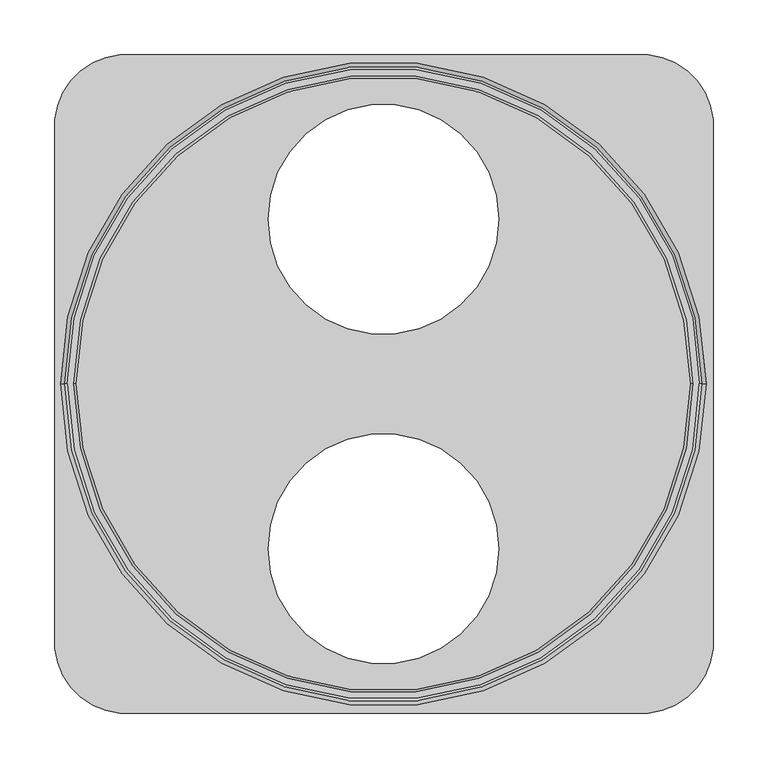
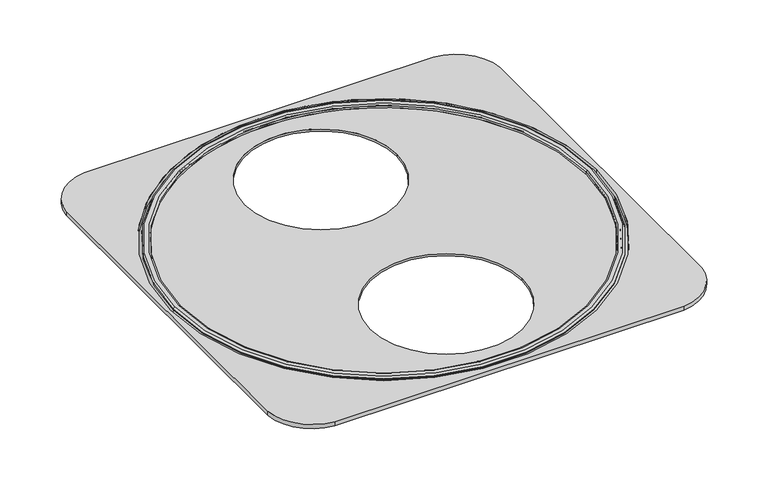
"""IFC4 building model written with IfcOpenShell, lengths in millimetres: proxy geometry."""

from ifc_helpers import new_model, si_unit, point, frame, frame_2d, origin, origin_2d, place, context, project, spatial, polyline, circle_curve, ellipse_curve, trimmed, segment, composite_curve, outline, extrude, source, transform, mapped, element, save
from ifc_brep_helpers import plane_surface, cylinder_surface, revolved_surface, advanced_brep


def specialty_equipment_28192a92(model_context):
    return source(origin(), model_context, "Body", "SolidModel", [
        extrude(outline(composite_curve([segment(trimmed(circle_curve(frame_2d((2405.1238732, 0.0)), 2715.0), [point((-299.1726991, -240.8423741))], [point((-299.1726991, 240.8423741))], False, "CARTESIAN"), True, "CONTINUOUS"), segment(trimmed(circle_curve(frame_2d((-234.4289505, 235.0763504)), 65.0), [point((-299.1726991, 240.8423741))], [point((-240.1916831, 299.8203919))], False, "CARTESIAN"), True, "CONTINUOUS"), segment(trimmed(circle_curve(frame_2d((0.5132226, -2404.4884196)), 2715.0), [point((-240.1916831, 299.8203919))], [point((241.445972, 299.8001024))], False, "CARTESIAN"), True, "CONTINUOUS"), segment(trimmed(circle_curve(frame_2d((235.6777846, 235.0565466)), 65.0), [point((241.445972, 299.8001024))], [point((300.4215764, 240.8220845))], False, "CARTESIAN"), True, "CONTINUOUS"), segment(trimmed(circle_curve(frame_2d((-2403.8768028, 0.0)), 2715.0), [point((300.4215764, 240.8220845))], [point((300.4215764, -240.8220845))], False, "CARTESIAN"), True, "CONTINUOUS"), segment(trimmed(circle_curve(frame_2d((235.6777846, -235.0565466)), 65.0), [point((300.4215764, -240.8220845))], [point((241.445972, -299.8001024))], False, "CARTESIAN"), True, "CONTINUOUS"), segment(trimmed(circle_curve(frame_2d((0.5132226, 2404.4884196)), 2715.0), [point((241.445972, -299.8001024))], [point((-240.1916831, -299.8203919))], False, "CARTESIAN"), True, "CONTINUOUS"), segment(trimmed(circle_curve(frame_2d((-234.4289505, -235.0763504)), 65.0), [point((-240.1916831, -299.8203919))], [point((-299.1726991, -240.8423741))], False, "CARTESIAN"), True, "CONTINUOUS")], self_intersect=False), holes=[composite_curve([segment(trimmed(circle_curve(origin_2d(), 294.0), [point((294.0, 0.0))], [point((-294.0, 0.0))], True, "CARTESIAN"), True, "CONTINUOUS"), segment(trimmed(circle_curve(origin_2d(), 294.0), [point((-294.0, 0.0))], [point((294.0, 0.0))], True, "CARTESIAN"), True, "CONTINUOUS")], self_intersect=False)]), frame((0.0, 0.0, 2892.0), z_axis=(0.0, 0.0, 1.0), x_axis=(1.0, 0.0, 0.0)), (0.0, 0.0, 1.0), 6.0),
        extrude(outline(composite_curve([segment(trimmed(circle_curve(origin_2d(), 280.0), [point((280.0, 0.0))], [point((-280.0, 0.0))], False, "CARTESIAN"), True, "CONTINUOUS"), segment(trimmed(circle_curve(origin_2d(), 280.0), [point((-280.0, 0.0))], [point((280.0, 0.0))], False, "CARTESIAN"), True, "CONTINUOUS")], self_intersect=False), holes=[composite_curve([segment(trimmed(circle_curve(frame_2d((0.0, -150.0)), 105.0), [point((-105.0, -150.0))], [point((105.0, -150.0))], True, "CARTESIAN"), True, "CONTINUOUS"), segment(trimmed(circle_curve(frame_2d((0.0, -150.0)), 105.0), [point((105.0, -150.0))], [point((-105.0, -150.0))], True, "CARTESIAN"), True, "CONTINUOUS")], self_intersect=False), composite_curve([segment(trimmed(circle_curve(frame_2d((0.0, 150.0)), 105.0), [point((105.0, 150.0))], [point((-105.0, 150.0))], True, "CARTESIAN"), True, "CONTINUOUS"), segment(trimmed(circle_curve(frame_2d((0.0, 150.0)), 105.0), [point((-105.0, 150.0))], [point((105.0, 150.0))], True, "CARTESIAN"), True, "CONTINUOUS")], self_intersect=False)]), frame((0.0, 0.0, 2892.0), z_axis=(0.0, 0.0, 1.0), x_axis=(1.0, 0.0, 0.0)), (0.0, 0.0, 1.0), 3.0),
        advanced_brep(
        [(-280.0, 0.0, 2898.0), (280.0, 0.0, 2898.0), (280.0, 0.0, 2895.0), (-280.0, 0.0, 2895.0), (-282.0, 0.0, 2900.0), (282.0, 0.0, 2900.0), (-290.0, 0.0, 2898.0), (290.0, 0.0, 2898.0), (288.0, 0.0, 2900.0), (-288.0, 0.0, 2900.0), (-290.0, 0.0, 2896.0), (290.0, 0.0, 2896.0), (-294.0, 0.0, 2892.0), (294.0, 0.0, 2892.0), (-285.0, 0.0, 2894.0), (285.0, 0.0, 2894.0), (285.0, 0.0, 2892.0), (-285.0, 0.0, 2892.0), (-284.0, 0.0, 2895.0), (284.0, 0.0, 2895.0)],
        [
            (0, 1, circle_curve(frame((0.0, 0.0, 2898.0), z_axis=(0.0, 0.0, 1.0), x_axis=(1.0, 0.0, 0.0)), 280.0)),
            (1, 2),
            (2, 3, circle_curve(frame((0.0, 0.0, 2895.0), z_axis=(0.0, 0.0, -1.0), x_axis=(1.0, 0.0, 0.0)), 280.0)),
            (3, 0),
            (4, 5, circle_curve(frame((0.0, 0.0, 2900.0), z_axis=(0.0, 0.0, 1.0), x_axis=(1.0, 0.0, 0.0)), 282.0)),
            (5, 1, circle_curve(frame((282.0, 0.0, 2898.0), z_axis=(0.0, -1.0, 0.0), x_axis=(1.0, 0.0, 0.0)), 2.0)),
            (0, 4, circle_curve(frame((-282.0, 0.0, 2898.0), z_axis=(0.0, -1.0, 0.0), x_axis=(-1.0, 0.0, 0.0)), 2.0)),
            (6, 7, circle_curve(frame((0.0, 0.0, 2898.0), z_axis=(0.0, 0.0, 1.0), x_axis=(1.0, 0.0, 0.0)), 290.0)),
            (7, 8, circle_curve(frame((288.0, 0.0, 2898.0), z_axis=(0.0, -1.0, 0.0), x_axis=(1.0, 0.0, 0.0)), 2.0)),
            (8, 9, circle_curve(frame((0.0, 0.0, 2900.0), z_axis=(0.0, 0.0, -1.0), x_axis=(1.0, 0.0, 0.0)), 288.0)),
            (9, 6, circle_curve(frame((-288.0, 0.0, 2898.0), z_axis=(0.0, -1.0, 0.0), x_axis=(-1.0, 0.0, 0.0)), 2.0)),
            (10, 11, circle_curve(frame((0.0, 0.0, 2896.0), z_axis=(0.0, 0.0, 1.0), x_axis=(1.0, 0.0, 0.0)), 290.0)),
            (11, 7),
            (6, 10),
            (12, 13, circle_curve(frame((0.0, 0.0, 2892.0), z_axis=(0.0, 0.0, 1.0), x_axis=(1.0, 0.0, 0.0)), 294.0)),
            (13, 11, circle_curve(frame((294.0, 0.0, 2896.0), z_axis=(0.0, 1.0, 0.0), x_axis=(1.0, 0.0, 0.0)), 4.0)),
            (10, 12, circle_curve(frame((-294.0, 0.0, 2896.0), z_axis=(0.0, 1.0, 0.0), x_axis=(-1.0, 0.0, 0.0)), 4.0)),
            (14, 15, circle_curve(frame((0.0, 0.0, 2894.0), z_axis=(0.0, 0.0, 1.0), x_axis=(1.0, 0.0, 0.0)), 285.0)),
            (15, 16),
            (16, 17, circle_curve(frame((0.0, 0.0, 2892.0), z_axis=(0.0, 0.0, -1.0), x_axis=(1.0, 0.0, 0.0)), 285.0)),
            (17, 14),
            (18, 19, circle_curve(frame((0.0, 0.0, 2895.0), z_axis=(0.0, 0.0, 1.0), x_axis=(1.0, 0.0, 0.0)), 284.0)),
            (19, 15, circle_curve(frame((284.0, 0.0, 2894.0), z_axis=(0.0, 1.0, 0.0), x_axis=(1.0, 0.0, 0.0)), 1.0)),
            (14, 18, circle_curve(frame((-284.0, 0.0, 2894.0), z_axis=(0.0, 1.0, 0.0), x_axis=(-1.0, 0.0, 0.0)), 1.0)),
            (18, 19, circle_curve(frame((0.0, 0.0, 2895.0), z_axis=(0.0, 0.0, -1.0), x_axis=(-1.0, 0.0, 0.0)), 284.0)),
            (2, 3, circle_curve(frame((0.0, 0.0, 2895.0), z_axis=(0.0, 0.0, 1.0), x_axis=(-1.0, 0.0, 0.0)), 280.0)),
            (1, 0, circle_curve(frame((0.0, 0.0, 2898.0), z_axis=(0.0, 0.0, 1.0), x_axis=(-1.0, 0.0, 0.0)), 280.0)),
            (5, 4, circle_curve(frame((0.0, 0.0, 2900.0), z_axis=(0.0, 0.0, 1.0), x_axis=(-1.0, 0.0, 0.0)), 282.0)),
            (8, 9, circle_curve(frame((0.0, 0.0, 2900.0), z_axis=(0.0, 0.0, 1.0), x_axis=(-1.0, 0.0, 0.0)), 288.0)),
            (7, 6, circle_curve(frame((0.0, 0.0, 2898.0), z_axis=(0.0, 0.0, 1.0), x_axis=(-1.0, 0.0, 0.0)), 290.0)),
            (11, 10, circle_curve(frame((0.0, 0.0, 2896.0), z_axis=(0.0, 0.0, 1.0), x_axis=(-1.0, 0.0, 0.0)), 290.0)),
            (13, 12, circle_curve(frame((0.0, 0.0, 2892.0), z_axis=(0.0, 0.0, 1.0), x_axis=(-1.0, 0.0, 0.0)), 294.0)),
            (16, 17, circle_curve(frame((0.0, 0.0, 2892.0), z_axis=(0.0, 0.0, 1.0), x_axis=(-1.0, 0.0, 0.0)), 285.0)),
            (15, 14, circle_curve(frame((0.0, 0.0, 2894.0), z_axis=(0.0, 0.0, 1.0), x_axis=(-1.0, 0.0, 0.0)), 285.0)),
        ],
        [
            revolved_surface(polyline([(280.0, 0.0, 2895.0), (280.0, 0.0, 2898.0)]), (0.0, 0.0, 2895.0), (0.0, 0.0, -1.0)),
            revolved_surface(trimmed(ellipse_curve(frame((282.0, 0.0, 2898.0), z_axis=(0.0, 1.0, 0.0), x_axis=(1.0, 0.0, 0.0)), 2.0, 2.0), [point((280.0, 0.0, 2898.0))], [point((282.0, 0.0, 2900.0))], True, "CARTESIAN"), (0.0, 0.0, 2895.0), (0.0, 0.0, -1.0)),
            revolved_surface(trimmed(ellipse_curve(frame((288.0, 0.0, 2898.0), z_axis=(0.0, 1.0, 0.0), x_axis=(1.0, 0.0, 0.0)), 2.0, 2.0), [point((288.0, 0.0, 2900.0))], [point((290.0, 0.0, 2898.0))], True, "CARTESIAN"), (0.0, 0.0, 2895.0), (0.0, 0.0, -1.0)),
            cylinder_surface(frame((0.0, 0.0, 2895.0), z_axis=(0.0, 0.0, -1.0), x_axis=(1.0, 0.0, 0.0)), 290.0),
            revolved_surface(trimmed(ellipse_curve(frame((294.0, 0.0, 2896.0), z_axis=(0.0, -1.0, 0.0), x_axis=(1.0, 0.0, 0.0)), 4.0, 4.0), [point((290.0, 0.0, 2896.0))], [point((294.0, 0.0, 2892.0))], True, "CARTESIAN"), (0.0, 0.0, 2895.0), (0.0, 0.0, -1.0)),
            revolved_surface(polyline([(285.0, 0.0, 2892.0), (285.0, 0.0, 2894.0)]), (0.0, 0.0, 2895.0), (0.0, 0.0, -1.0)),
            revolved_surface(trimmed(ellipse_curve(frame((284.0, 0.0, 2894.0), z_axis=(0.0, -1.0, 0.0), x_axis=(1.0, 0.0, 0.0)), 1.0, 1.0), [point((285.0, 0.0, 2894.0))], [point((284.0, 0.0, 2895.0))], True, "CARTESIAN"), (0.0, 0.0, 2895.0), (0.0, 0.0, -1.0)),
            plane_surface(frame((0.0, 0.0, 2895.0), z_axis=(0.0, 0.0, -1.0), x_axis=(-1.0, 0.0, 0.0))),
            revolved_surface(polyline([(-280.0, 0.0, 2895.0), (-280.0, 0.0, 2898.0)]), (0.0, 0.0, 2895.0), (0.0, 0.0, -1.0)),
            revolved_surface(trimmed(ellipse_curve(frame((-282.0, 0.0, 2898.0), z_axis=(0.0, -1.0, 0.0), x_axis=(-1.0, 0.0, 0.0)), 2.0, 2.0), [point((-280.0, 0.0, 2898.0))], [point((-282.0, 0.0, 2900.0))], True, "CARTESIAN"), (0.0, 0.0, 2895.0), (0.0, 0.0, -1.0)),
            plane_surface(frame((0.0, 0.0, 2900.0), z_axis=(0.0, 0.0, 1.0), x_axis=(-1.0, 0.0, 0.0))),
            revolved_surface(trimmed(ellipse_curve(frame((-288.0, 0.0, 2898.0), z_axis=(0.0, -1.0, 0.0), x_axis=(-1.0, 0.0, 0.0)), 2.0, 2.0), [point((-288.0, 0.0, 2900.0))], [point((-290.0, 0.0, 2898.0))], True, "CARTESIAN"), (0.0, 0.0, 2895.0), (0.0, 0.0, -1.0)),
            cylinder_surface(frame((0.0, 0.0, 2895.0), z_axis=(0.0, 0.0, -1.0), x_axis=(-1.0, 0.0, 0.0)), 290.0),
            revolved_surface(trimmed(ellipse_curve(frame((-294.0, 0.0, 2896.0), z_axis=(0.0, 1.0, 0.0), x_axis=(-1.0, 0.0, 0.0)), 4.0, 4.0), [point((-290.0, 0.0, 2896.0))], [point((-294.0, 0.0, 2892.0))], True, "CARTESIAN"), (0.0, 0.0, 2895.0), (0.0, 0.0, -1.0)),
            plane_surface(frame((0.0, 0.0, 2892.0), z_axis=(0.0, 0.0, -1.0), x_axis=(-1.0, 0.0, 0.0))),
            revolved_surface(polyline([(-285.0, 0.0, 2892.0), (-285.0, 0.0, 2894.0)]), (0.0, 0.0, 2895.0), (0.0, 0.0, -1.0)),
            revolved_surface(trimmed(ellipse_curve(frame((-284.0, 0.0, 2894.0), z_axis=(0.0, 1.0, 0.0), x_axis=(-1.0, 0.0, 0.0)), 1.0, 1.0), [point((-285.0, 0.0, 2894.0))], [point((-284.0, 0.0, 2895.0))], True, "CARTESIAN"), (0.0, 0.0, 2895.0), (0.0, 0.0, -1.0)),
        ],
        [
            (0, [[1, 2, 3, 4]]),
            (1, [[5, 6, -1, 7]]),
            (2, [[8, 9, 10, 11]]),
            (3, [[12, 13, -8, 14]]),
            (4, [[15, 16, -12, 17]]),
            (5, [[18, 19, 20, 21]]),
            (6, [[22, 23, -18, 24]]),
            (7, [[25, -22], [26, -3]]),
            (8, [[27, -4, -26, -2]]),
            (9, [[28, -7, -27, -6]]),
            (10, [[29, -10], [-28, -5]]),
            (11, [[30, -11, -29, -9]]),
            (12, [[31, -14, -30, -13]]),
            (13, [[32, -17, -31, -16]]),
            (14, [[-32, -15], [33, -20]]),
            (15, [[34, -21, -33, -19]]),
            (16, [[-25, -24, -34, -23]]),
        ],
    ),
    ])


if __name__ == "__main__":
    model = new_model("IFC4")
    model_context = context("Model", 3, world=origin())
    ifc_project = project(units=[si_unit("LENGTHUNIT", "METRE", prefix="MILLI")], contexts=[model_context])
    site = spatial("IfcSite", under=ifc_project)
    building = spatial("IfcBuilding", under=site)
    placement = place(None, origin())
    specialty_equipment_shape = specialty_equipment_28192a92(model_context)
    element("IfcBuildingElementProxy", 1, Name="Specialty Equipment", at=placement, inside=building, context=model_context, shape_type="MappedRepresentation", body=[
        mapped(specialty_equipment_shape, transform((0.0, 0.0, 0.0), x_axis=(1.0, 0.0, 0.0), y_axis=(0.0, 1.0, 0.0), z_axis=(0.0, 0.0, 1.0))),
    ])
    save(model, "model.ifc")
